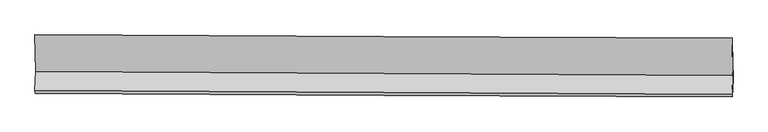
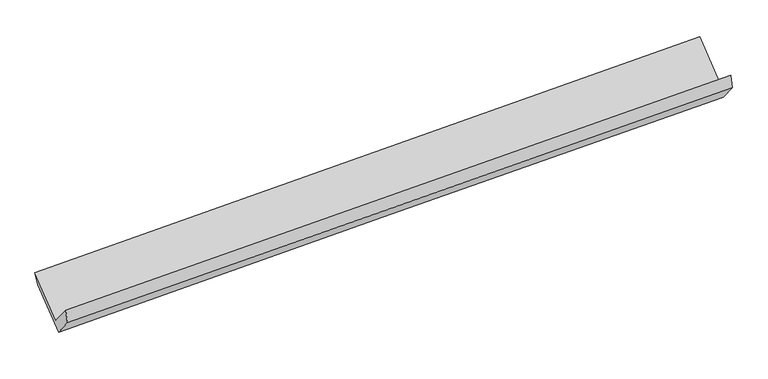
"""IFC4 building model written with IfcOpenShell, lengths in millimetres: proxy geometry."""

from ifc_helpers import new_model, si_unit, frame, origin, place, context, project, spatial, source, transform, mapped, element, save
from ifc_brep_helpers import plane_surface, spline_curve, spline_surface, advanced_brep


def generic_models_89cfb90b(model_context):
    return source(origin(), model_context, "Body", "AdvancedBrep", [
        advanced_brep(
        [(-4778.5214886, -1682.6812687, 1662.9423993), (-4789.0144248, -1943.3732665, 1976.169673), (4764.4599013, -1993.5062378, 2241.4664706), (4774.9528375, -1732.81424, 1928.2391969), (-4784.3148758, -1980.3247406, 1805.5744428), (4769.1594503, -2030.4577119, 2070.8712403), (-4774.6204023, -1739.4701675, 1516.1822791), (4778.8539238, -1789.6031388, 1781.4790767), (-4783.7944782, -1237.0207877, 1934.0522432), (4769.5394794, -1279.466002, 2205.7426853), (-4787.7837809, -1175.4004188, 2084.8305318), (4765.5501766, -1217.8456332, 2356.5209739)],
        [
            (0, 1),
            (1, 2, spline_curve(3, [(-4789.0144248, -1943.3732665, 1976.169673), (-3197.875948021, -1953.079405207, 2023.558684787), (-1606.68972755, -1962.107998867, 2069.34822731), (1577.80159318, -1978.820713214, 2157.784563195), (3171.106814608, -1986.503110426, 2200.427287342), (4764.4599013, -1993.5062378, 2241.4664706)], [4, 2, 4], [0.0, 15.668014655575835, 31.355952549067133])),
            (2, 3),
            (3, 0, spline_curve(3, [(4774.9528375, -1732.81424, 1928.2391969), (3181.599750808, -1725.811112626, 1887.200013642), (1588.29452938, -1718.128715414, 1844.557289495), (-1596.19679135, -1701.416001067, 1756.12095361), (-3187.383011821, -1692.387407407, 1710.331411087), (-4778.5214886, -1682.6812687, 1662.9423993)], [4, 2, 4], [0.0, 15.687937893491299, 31.355952549067133])),
            (1, 4),
            (4, 5, spline_curve(3, [(-4784.3148758, -1980.3247406, 1805.5744428), (-3193.176399021, -1990.030879307, 1852.963454587), (-1601.99017855, -1999.059472967, 1898.75299711), (1582.50114218, -2015.772187314, 1987.189332995), (3175.806363608, -2023.454584526, 2029.832057042), (4769.1594503, -2030.4577119, 2070.8712403)], [4, 2, 4], [0.0, 15.668014655575835, 31.355952549067133])),
            (5, 2),
            (4, 6),
            (6, 7, spline_curve(3, [(-4774.6204023, -1739.4701675, 1516.1822791), (-3183.481925521, -1749.176306207, 1563.571290887), (-1592.29570505, -1758.204899867, 1609.36083341), (1592.19561568, -1774.917614214, 1697.797169295), (3185.500837108, -1782.600011426, 1740.439893442), (4778.8539238, -1789.6031388, 1781.4790767)], [4, 2, 4], [0.0, 15.668014655575835, 31.355952549067133])),
            (7, 5),
            (6, 8),
            (8, 9, spline_curve(3, [(-4783.7944782, -1237.0207877, 1934.0522432), (-3192.632651056, -1248.005778911, 1980.37767724), (-1601.446430706, -1257.034372548, 2026.167219721), (1582.998159844, -1271.187755761, 2116.732063615), (3176.256591729, -1276.307567422, 2161.50600264), (4769.5394794, -1279.466002, 2205.7426853)], [4, 2, 4], [0.0, 15.66801376907168, 31.355950774931557])),
            (9, 7),
            (8, 10),
            (10, 11, spline_curve(3, [(-4787.7837809, -1175.4004188, 2084.8305318), (-3196.621953759, -1186.385410139, 2131.155965947), (-1605.435733526, -1195.414003337, 2176.945508214), (1579.008857065, -1209.567387173, 2267.510352323), (3172.267288885, -1214.687198653, 2312.284291132), (4765.5501766, -1217.8456332, 2356.5209739)], [4, 2, 4], [0.0, 15.66802140082637, 31.355966048145376])),
            (11, 9),
            (10, 0),
            (3, 11),
        ],
        [
            spline_surface(3, 3, [[(-4778.5214886, -1682.6812687, 1662.9423993), (-3187.383011839, -1692.38740759, 1710.331411309), (-1596.196791248, -1701.416000919, 1756.120953474), (1588.294529278, -1718.128715561, 1844.557289631), (3181.599750739, -1725.81111267, 1887.200013383), (4774.9528375, -1732.81424, 1928.2391969)], [(-4782.019133999, -1769.578601288, 1767.351490534), (-3190.880657238, -1779.284740177, 1814.740502542), (-1599.694436647, -1788.313333507, 1860.530044708), (1584.796883879, -1805.026048149, 1948.966380864), (3178.10210534, -1812.708445258, 1991.609104617), (4771.455192101, -1819.711572588, 2032.648288134)], [(-4785.516779401, -1856.475933912, 1871.760581766), (-3194.378302639, -1866.182072802, 1919.149593775), (-1603.192082049, -1875.210666132, 1964.939135941), (1581.299238478, -1891.923380774, 2053.375472097), (3174.604459938, -1899.605777883, 2096.018195849), (4767.957546699, -1906.608905212, 2137.057379366)], [(-4789.0144248, -1943.3732665, 1976.169673), (-3197.875948039, -1953.07940539, 2023.558685009), (-1606.689727448, -1962.107998719, 2069.348227174), (1577.801593078, -1978.820713361, 2157.784563331), (3171.106814539, -1986.50311047, 2200.427287083), (4764.4599013, -1993.5062378, 2241.4664706)]], [4, 4], [4, 2, 4], [0.0, 1.337447348344046], [0.0, 15.668014655575835, 31.355952549067133]),
            spline_surface(3, 3, [[(-4789.0144248, -1943.3732665, 1976.169673), (-3197.875948039, -1953.07940539, 2023.558685009), (-1606.689727448, -1962.107998719, 2069.348227174), (1577.801593078, -1978.820713361, 2157.784563331), (3171.106814539, -1986.50311047, 2200.427287083), (4764.4599013, -1993.5062378, 2241.4664706)], [(-4787.447908458, -1955.690424538, 1919.304596258), (-3196.309431696, -1965.396563428, 1966.693608267), (-1605.123211106, -1974.425156757, 2012.483150433), (1579.368109421, -1991.137871399, 2100.919486589), (3172.673330882, -1998.820268508, 2143.562210341), (4766.026417642, -2005.823395838, 2184.601393858)], [(-4785.881392142, -1968.007582562, 1862.439519542), (-3194.742915381, -1977.713721451, 1909.828531551), (-1603.556694791, -1986.742314781, 1955.618073716), (1580.934625736, -2003.455029423, 2044.054409873), (3174.239847197, -2011.137426532, 2086.697133525), (4767.592933958, -2018.140553862, 2127.736317042)], [(-4784.3148758, -1980.3247406, 1805.5744428), (-3193.176399039, -1990.03087949, 1852.963454809), (-1601.990178448, -1999.059472819, 1898.752996974), (1582.501142078, -2015.772187461, 1987.189333131), (3175.806363539, -2023.45458457, 2029.832056783), (4769.1594503, -2030.4577119, 2070.8712403)]], [4, 4], [4, 2, 4], [0.0, 0.572882275772591], [0.0, 15.668014655575835, 31.355952549067133]),
            spline_surface(3, 3, [[(-4784.3148758, -1980.3247406, 1805.5744428), (-3193.176399039, -1990.03087949, 1852.963454809), (-1601.990178448, -1999.059472819, 1898.752996974), (1582.501142078, -2015.772187461, 1987.189333131), (3175.806363539, -2023.45458457, 2029.832056783), (4769.1594503, -2030.4577119, 2070.8712403)], [(-4781.083384628, -1900.039882905, 1709.11038824), (-3189.944907866, -1909.746021794, 1756.499400249), (-1598.758687276, -1918.774615124, 1802.288942415), (1585.732633251, -1935.487329766, 1890.725278571), (3179.037854711, -1943.169726875, 1933.368002223), (4772.390941472, -1950.172854205, 1974.40718574)], [(-4777.851893472, -1819.755025195, 1612.64633366), (-3186.713416711, -1829.461164085, 1660.035345668), (-1595.52719612, -1838.489757415, 1705.824887834), (1588.964124406, -1855.202472057, 1794.26122399), (3182.269345867, -1862.884869166, 1836.903947742), (4775.622432628, -1869.887996495, 1877.94313126)], [(-4774.6204023, -1739.4701675, 1516.1822791), (-3183.481925539, -1749.17630639, 1563.571291109), (-1592.295704948, -1758.204899719, 1609.360833274), (1592.195615578, -1774.917614361, 1697.797169431), (3185.500837039, -1782.60001147, 1740.439893183), (4778.8539238, -1789.6031388, 1781.4790767)]], [4, 4], [4, 2, 4], [0.0, 1.2356739480892476], [0.0, 15.668014655575835, 31.355952549067133]),
            spline_surface(3, 3, [[(-4774.6204023, -1739.4701675, 1516.1822791), (-3183.481925539, -1749.17630639, 1563.571291109), (-1592.295704948, -1758.204899719, 1609.360833274), (1592.195615578, -1774.917614361, 1697.797169431), (3185.500837039, -1782.60001147, 1740.439893183), (4778.8539238, -1789.6031388, 1781.4790767)], [(-4777.678427613, -1571.987040879, 1655.472267134), (-3186.532167453, -1582.119463946, 1702.506753173), (-1595.345946863, -1591.148057276, 1748.296295339), (1589.12979697, -1607.007661506, 1837.442134245), (3182.419421931, -1613.8358634, 1880.795262942), (4775.749108987, -1619.557426534, 1922.900279568)], [(-4780.736452887, -1404.503914321, 1794.762255166), (-3189.58240933, -1415.062621564, 1841.442215235), (-1598.39618874, -1424.091214894, 1887.2317574), (1586.063978401, -1439.097708714, 1977.087099057), (3179.338006862, -1445.071715327, 2021.150632698), (4772.644294213, -1449.511714266, 2064.321482432)], [(-4783.7944782, -1237.0207877, 1934.0522432), (-3192.632651245, -1248.00577912, 1980.377677299), (-1601.446430655, -1257.03437245, 2026.167219465), (1582.998159793, -1271.187755859, 2116.732063872), (3176.256591754, -1276.307567257, 2161.506002457), (4769.5394794, -1279.466002, 2205.7426853)]], [4, 4], [4, 2, 4], [0.0, 2.1442717200780126], [0.0, 15.66801376907168, 31.355950774931557]),
            spline_surface(3, 3, [[(-4783.7944782, -1237.0207877, 1934.0522432), (-3192.632651245, -1248.00577912, 1980.377677299), (-1601.446430655, -1257.03437245, 2026.167219465), (1582.998159793, -1271.187755859, 2116.732063872), (3176.256591754, -1276.307567257, 2161.506002457), (4769.5394794, -1279.466002, 2205.7426853)], [(-4785.12424578, -1216.480664758, 1984.311672727), (-3193.962418825, -1227.465656179, 2030.637106826), (-1602.776198235, -1236.494249509, 2076.426648992), (1581.668392213, -1250.647632917, 2166.991493399), (3174.926824174, -1255.767444316, 2211.765431984), (4768.20971182, -1258.925879058, 2256.002114827)], [(-4786.45401332, -1195.940541742, 2034.571102273), (-3195.292186365, -1206.925533162, 2080.896536372), (-1604.105965874, -1215.954126492, 2126.686078538), (1580.338624574, -1230.1075099, 2217.250922945), (3173.597056534, -1235.227321399, 2262.02486153), (4766.87994418, -1238.385756142, 2306.261544373)], [(-4787.7837809, -1175.4004188, 2084.8305318), (-3196.621953945, -1186.38541022, 2131.155965899), (-1605.435733455, -1195.41400355, 2176.945508065), (1579.008856993, -1209.567386959, 2267.510352472), (3172.267288954, -1214.687198457, 2312.284291057), (4765.5501766, -1217.8456332, 2356.5209739)]], [4, 4], [4, 2, 4], [0.0, 0.5345562228633941], [0.0, 15.66802140082637, 31.355966048145376]),
            spline_surface(3, 3, [[(-4787.7837809, -1175.4004188, 2084.8305318), (-3196.621953945, -1186.38541022, 2131.155965899), (-1605.435733455, -1195.41400355, 2176.945508065), (1579.008856993, -1209.567386959, 2267.510352472), (3172.267288954, -1214.687198457, 2312.284291057), (4765.5501766, -1217.8456332, 2356.5209739)], [(-4784.696350122, -1344.494035432, 1944.201154307), (-3193.542306565, -1355.052742675, 1990.881114375), (-1602.356086075, -1364.081336005, 2036.670656541), (1582.104081066, -1379.087829825, 2126.525998198), (3175.378109527, -1385.061836538, 2170.589531839), (4768.684396878, -1389.501835477, 2213.760381573)], [(-4781.608919378, -1513.587652068, 1803.571776793), (-3190.462659218, -1523.720075134, 1850.606262832), (-1599.276438628, -1532.748668464, 1896.395804998), (1585.199305205, -1548.608272695, 1985.541643904), (3178.488930166, -1555.436474589, 2028.894772601), (4771.818617222, -1561.158037723, 2070.999789227)], [(-4778.5214886, -1682.6812687, 1662.9423993), (-3187.383011839, -1692.38740759, 1710.331411309), (-1596.196791248, -1701.416000919, 1756.120953474), (1588.294529278, -1718.128715561, 1844.557289631), (3181.599750739, -1725.81111267, 1887.200013383), (4774.9528375, -1732.81424, 1928.2391969)]], [4, 4], [4, 2, 4], [0.0, 2.164890581696448], [0.0, 15.668013769071678, 31.355950774931554]),
            plane_surface(frame((4770.4192948, -1673.9488273, 2097.3866073), z_axis=(0.9995701220548041, -0.005671688219350506, 0.02876461451309438), x_axis=(-0.02448435361368374, 0.37819513783323894, 0.9254020500017371))),
            plane_surface(frame((-4783.0082418, -1626.3784416, 1829.9585949), z_axis=(-0.9995701220548041, 0.005671688219348256, -0.02876461451309152), x_axis=(-0.014036850027208902, 0.7687756934637895, 0.639364450044404))),
        ],
        [
            (0, [[1, 2, 3, 4]]),
            (1, [[5, 6, 7, -2]]),
            (2, [[8, 9, 10, -6]]),
            (3, [[11, 12, 13, -9]]),
            (4, [[14, 15, 16, -12]]),
            (5, [[17, -4, 18, -15]]),
            (6, [[-16, -18, -3, -7, -10, -13]]),
            (7, [[-17, -14, -11, -8, -5, -1]]),
        ],
    ),
    ])


if __name__ == "__main__":
    model = new_model("IFC4")
    model_context = context("Model", 3, world=origin())
    ifc_project = project(units=[si_unit("LENGTHUNIT", "METRE", prefix="MILLI")], contexts=[model_context])
    site = spatial("IfcSite", under=ifc_project)
    building = spatial("IfcBuilding", under=site)
    placement = place(None, origin())
    generic_models_shape = generic_models_89cfb90b(model_context)
    element("IfcBuildingElementProxy", 1, Name="Generic Models", at=placement, inside=building, context=model_context, shape_type="MappedRepresentation", body=[
        mapped(generic_models_shape, transform((0.0, 0.0, 0.0), x_axis=(1.0, 0.0, 0.0), y_axis=(0.0, 1.0, 0.0), z_axis=(0.0, 0.0, 1.0))),
    ])
    save(model, "model.ifc")
